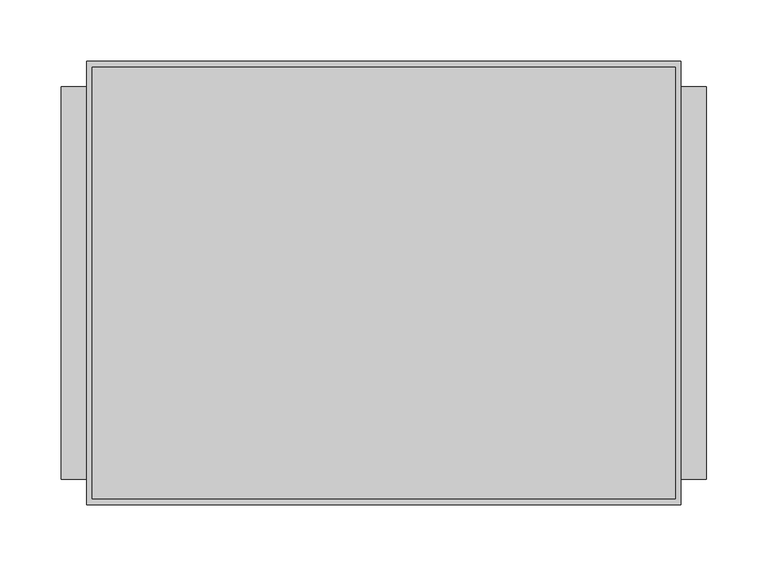
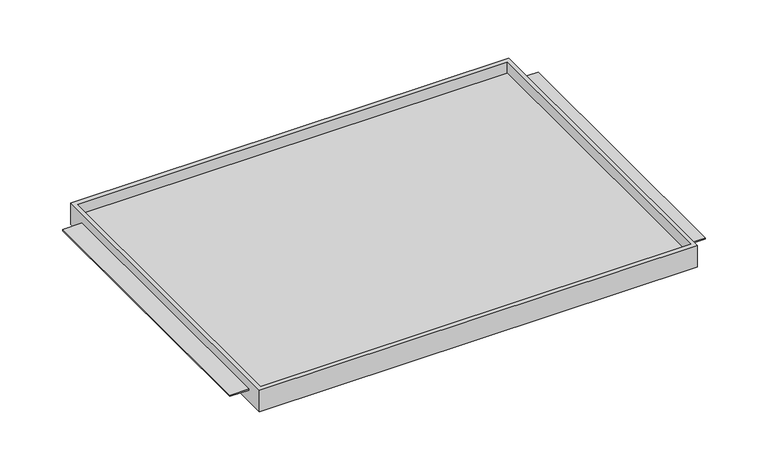
"""IFC4 building model written with IfcOpenShell, lengths in millimetres: furniture geometry."""

from ifc_helpers import new_model, si_unit, origin, place, context, project, spatial, faceted_brep, source, transform, mapped, element, save


def furniture_299786dc(model_context):
    return source(origin(), model_context, "Body", "Brep", [
        faceted_brep([(-242.7689646, -180.975, 1558.2519), (242.7689646, -180.975, 1558.2519), (242.7689646, -180.975, 1583.6519), (-242.7689646, -180.975, 1583.6519), (-242.7689646, 180.975, 1558.2519), (-242.7689646, 180.975, 1583.6519), (242.7689646, 180.975, 1583.6519), (242.7689646, 180.975, 1558.2519), (242.7689646, -160.3374879, 1572.5521), (242.7689646, 160.3374879, 1572.5521), (242.7689646, 160.3374879, 1570.9519), (242.7689646, -160.3374879, 1570.9519), (238.125, -176.2125, 1583.6519), (-238.125, -176.2125, 1583.6519), (-238.125, 175.91278, 1583.6519), (238.125, 175.91278, 1583.6519), (-242.7689646, 160.3374879, 1572.5521), (-242.7689646, -160.3374879, 1572.5521), (-242.7689646, -160.3374879, 1570.9519), (-242.7689646, 160.3374879, 1570.9519), (-238.125, -176.2125, 1570.9519), (238.125, -176.2125, 1570.9519), (238.125, 175.91278, 1570.9519), (-238.125, 175.91278, 1570.9519), (-263.525, 160.3374879, 1572.5521), (-263.525, -160.3374879, 1572.5521), (263.525, -160.3374879, 1572.5521), (263.525, 160.3374879, 1572.5521), (-263.525, -160.3374879, 1570.9519), (-263.525, 160.3374879, 1570.9519), (263.525, -160.3374879, 1570.9519), (263.525, 160.3374879, 1570.9519)], [[[0, 1, 2, 3]], [[4, 5, 6, 7]], [[1, 0, 4, 7]], [[2, 1, 7, 6], [8, 9, 10, 11]], [[3, 2, 6, 5], [12, 13, 14, 15]], [[0, 3, 5, 4], [16, 17, 18, 19]], [[20, 21, 22, 23]], [[21, 20, 13, 12]], [[22, 21, 12, 15]], [[23, 22, 15, 14]], [[20, 23, 14, 13]], [[16, 24, 25, 17]], [[26, 27, 9, 8]], [[18, 28, 29, 19]], [[30, 11, 10, 31]], [[24, 16, 19, 29]], [[25, 24, 29, 28]], [[17, 25, 28, 18]], [[27, 26, 30, 31]], [[9, 27, 31, 10]], [[26, 8, 11, 30]]]),
    ])


if __name__ == "__main__":
    model = new_model("IFC4")
    model_context = context("Model", 3, world=origin())
    ifc_project = project(units=[si_unit("LENGTHUNIT", "METRE", prefix="MILLI")], contexts=[model_context])
    site = spatial("IfcSite", under=ifc_project)
    building = spatial("IfcBuilding", under=site)
    placement = place(None, origin())
    furniture_shape = furniture_299786dc(model_context)
    element("IfcFurniture", 1, at=placement, inside=building, context=model_context, shape_type="MappedRepresentation", body=[
        mapped(furniture_shape, transform((0.0, 0.0, 0.0), x_axis=(1.0, 0.0, 0.0), y_axis=(0.0, 1.0, 0.0), z_axis=(0.0, 0.0, 1.0))),
    ])
    save(model, "model.ifc")
